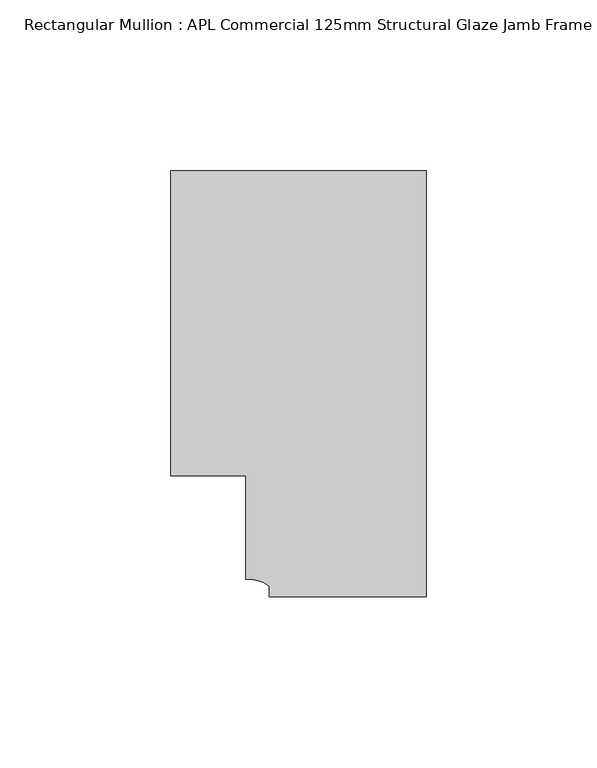
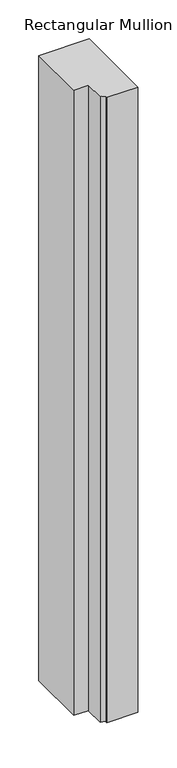
"""IFC4 building model written with IfcOpenShell, lengths in millimetres: member geometry, Rectangular Mullion : APL Commercial 125mm Structural Glaze Jamb Frame (right)."""

from ifc_helpers import new_model, si_unit, point, frame, frame_2d, origin, place, context, project, spatial, polyline, circle_curve, trimmed, segment, composite_curve, outline, extrude, source, transform, mapped, element, save


def rectangular_mullion_apl_commercial_125mm_structural_glaze_731b6721(model_context):
    return source(origin(), model_context, "Body", "SweptSolid", [
        extrude(outline(composite_curve([segment(polyline([(0.0, -20.5), (-46.0, -20.5), (-46.0, -17.3125212)]), True, "CONTINUOUS"), segment(trimmed(circle_curve(frame_2d((-52.1098019, -25.7981812)), 10.4563907), [point((-46.0, -17.3125212))], [point((-52.9999391, -15.3797475))], True, "CARTESIAN"), True, "CONTINUOUS"), segment(polyline([(-52.9999391, -15.3797475), (-52.9999391, 15.0000829), (-75.0, 15.0000829), (-75.0, 104.5), (0.0, 104.5), (0.0, -20.5)]), True, "CONTINUOUS")], self_intersect=False)), frame((0.0, 0.0, -983.3198652), z_axis=(0.0, 0.0, 1.0), x_axis=(1.0, 0.0, 0.0)), (0.0, 0.0, 1.0), 983.3198652),
    ])


if __name__ == "__main__":
    model = new_model("IFC4")
    model_context = context("Model", 3, world=origin())
    ifc_project = project(units=[si_unit("LENGTHUNIT", "METRE", prefix="MILLI")], contexts=[model_context])
    site = spatial("IfcSite", under=ifc_project)
    building = spatial("IfcBuilding", under=site)
    placement = place(None, origin())
    rectangular_mullion_apl_commercial_125mm_structural_glaze_shape = rectangular_mullion_apl_commercial_125mm_structural_glaze_731b6721(model_context)
    element("IfcMember", 1, ObjectType="Rectangular Mullion : APL Commercial 125mm Structural Glaze Jamb Frame (right)", at=placement, inside=building, context=model_context, shape_type="MappedRepresentation", body=[
        mapped(rectangular_mullion_apl_commercial_125mm_structural_glaze_shape, transform((0.0, 0.0, 0.0), x_axis=(1.0, 0.0, 0.0), y_axis=(0.0, 1.0, 0.0), z_axis=(0.0, 0.0, 1.0))),
    ])
    save(model, "model.ifc")
